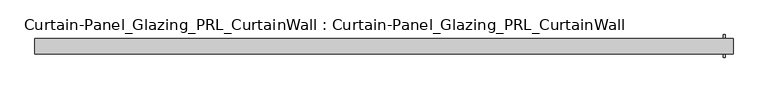
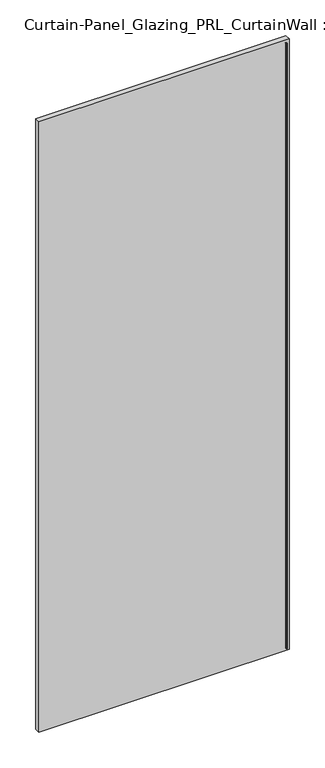
"""IFC4 building model written with IfcOpenShell, lengths in millimetres: plate geometry, Curtain-Panel_Glazing_PRL_CurtainWall : Curtain-Panel_Glazing_PRL_CurtainWall."""

from ifc_helpers import new_model, si_unit, frame, origin, origin_with_axes, place, context, project, spatial, polyline, outline, extrude, source, transform, mapped, element, save


def curtain_panel_glazing_prl_curtainwall_curtain_panel_glazing_e43e3b52(model_context):
    return source(origin(), model_context, "Body", "SweptSolid", [
        extrude(outline(polyline([(565.94375, 19.05), (565.94375, 12.7), (561.975, 12.7), (561.975, 19.05), (565.94375, 19.05)])), frame((0.0, 0.0, 12.7), z_axis=(0.0, 0.0, 1.0), x_axis=(1.0, 0.0, 0.0)), (0.0, 0.0, 1.0), 2960.6875),
        extrude(outline(polyline([(565.94375, -19.05), (561.975, -19.05), (561.975, -12.7), (565.94375, -12.7), (565.94375, -19.05)])), frame((0.0, 0.0, 12.7), z_axis=(0.0, 0.0, 1.0), x_axis=(1.0, 0.0, 0.0)), (0.0, 0.0, 1.0), 2960.6875),
        extrude(outline(polyline([(578.64375, -12.7), (-578.64375, -12.7), (-578.64375, 12.7), (578.64375, 12.7), (578.64375, -12.7)])), origin_with_axes(), (0.0, 0.0, 1.0), 2986.0875),
    ])


if __name__ == "__main__":
    model = new_model("IFC4")
    model_context = context("Model", 3, world=origin())
    ifc_project = project(units=[si_unit("LENGTHUNIT", "METRE", prefix="MILLI")], contexts=[model_context])
    site = spatial("IfcSite", under=ifc_project)
    building = spatial("IfcBuilding", under=site)
    placement = place(None, origin())
    curtain_panel_glazing_prl_curtainwall_curtain_panel_glazing_shape = curtain_panel_glazing_prl_curtainwall_curtain_panel_glazing_e43e3b52(model_context)
    element("IfcPlate", 1, ObjectType="Curtain-Panel_Glazing_PRL_CurtainWall : Curtain-Panel_Glazing_PRL_CurtainWall", at=placement, inside=building, context=model_context, shape_type="MappedRepresentation", body=[
        mapped(curtain_panel_glazing_prl_curtainwall_curtain_panel_glazing_shape, transform((0.0, 0.0, 0.0), x_axis=(1.0, 0.0, 0.0), y_axis=(0.0, 1.0, 0.0), z_axis=(0.0, 0.0, 1.0))),
    ])
    save(model, "model.ifc")
